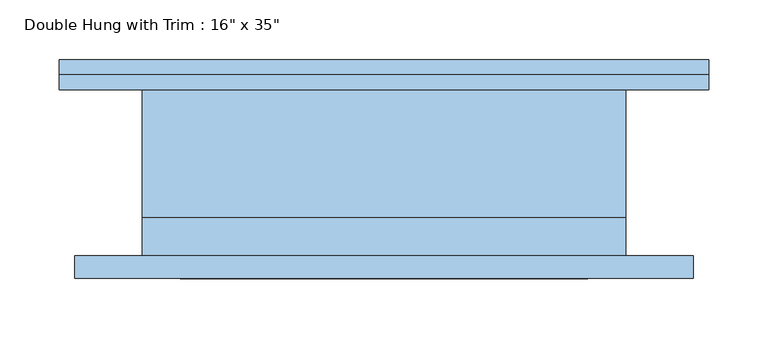
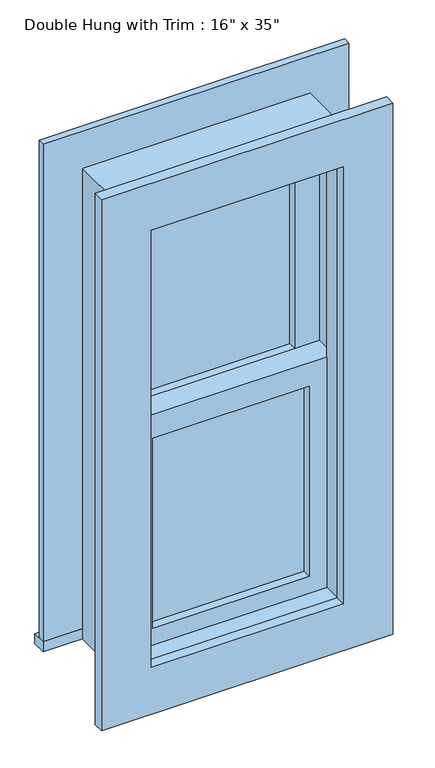
"""IFC4 building model written with IfcOpenShell, lengths in millimetres: window geometry."""

from ifc_helpers import new_model, si_unit, frame, origin, place, context, project, spatial, polyline, outline, extrude, source, transform, mapped, element, save


def window_0e9f11fb(model_context):
    return source(origin(), model_context, "Body", "SweptSolid", [
        extrude(outline(polyline([(-139.7, -9.525), (139.7, -9.525), (139.7, -22.225), (-139.7, -22.225), (-139.7, -9.525)])), frame((0.0, 0.0, 977.9), z_axis=(0.0, 0.0, 1.0), x_axis=(1.0, 0.0, 0.0)), (0.0, 0.0, 1.0), 358.775),
        extrude(outline(polyline([(1381.125, -184.15), (933.45, -184.15), (933.45, 184.15), (1381.125, 184.15), (1381.125, -184.15)]), holes=[polyline([(1336.675, -139.7), (1336.675, 139.7), (977.9, 139.7), (977.9, -139.7), (1336.675, -139.7)])]), frame((0.0, -38.1, 0.0), z_axis=(0.0, 1.0, 0.0), x_axis=(0.0, 0.0, 1.0)), (0.0, 0.0, 1.0), 44.45),
        extrude(outline(polyline([(-273.05, 95.25), (273.05, 95.25), (273.05, 69.85), (-273.05, 69.85), (-273.05, 95.25)])), frame((0.0, 0.0, 914.4), z_axis=(0.0, 0.0, 1.0), x_axis=(1.0, 0.0, 0.0)), (0.0, 0.0, 1.0), 19.05),
        extrude(outline(polyline([(1784.35, -184.15), (1784.35, 184.15), (933.45, 184.15), (933.45, 273.05), (1873.25, 273.05), (1873.25, -273.05), (933.45, -273.05), (933.45, -184.15), (1784.35, -184.15)])), frame((0.0, 69.85, 0.0), z_axis=(0.0, 1.0, 0.0), x_axis=(0.0, 0.0, 1.0)), (0.0, 0.0, 1.0), 12.7),
        extrude(outline(polyline([(1860.55, 260.35), (1860.55, -260.35), (857.25, -260.35), (857.25, 260.35), (1860.55, 260.35)]), holes=[polyline([(1771.65, 171.45), (946.15, 171.45), (946.15, -171.45), (1771.65, -171.45), (1771.65, 171.45)])]), frame((0.0, -88.9, 0.0), z_axis=(0.0, 1.0, 0.0), x_axis=(0.0, 0.0, 1.0)), (0.0, 0.0, 1.0), 19.05),
        extrude(outline(polyline([(139.7, 22.225), (-139.7, 22.225), (-139.7, 34.925), (139.7, 34.925), (139.7, 22.225)])), frame((0.0, 0.0, 1381.125), z_axis=(0.0, 0.0, 1.0), x_axis=(1.0, 0.0, 0.0)), (0.0, 0.0, 1.0), 358.775),
        extrude(outline(polyline([(1784.35, -184.15), (1336.675, -184.15), (1336.675, 184.15), (1784.35, 184.15), (1784.35, -184.15)]), holes=[polyline([(1739.9, -139.7), (1739.9, 139.7), (1381.125, 139.7), (1381.125, -139.7), (1739.9, -139.7)])]), frame((0.0, 6.35, 0.0), z_axis=(0.0, 1.0, 0.0), x_axis=(0.0, 0.0, 1.0)), (0.0, 0.0, 1.0), 44.45),
        extrude(outline(polyline([(1803.4, -203.2), (914.4, -203.2), (914.4, 203.2), (1803.4, 203.2), (1803.4, -203.2)]), holes=[polyline([(1771.65, -171.45), (1771.65, 171.45), (946.15, 171.45), (946.15, -171.45), (1771.65, -171.45)])]), frame((0.0, -69.85, 0.0), z_axis=(0.0, 1.0, 0.0), x_axis=(0.0, 0.0, 1.0)), (0.0, 0.0, 1.0), 31.75),
        extrude(outline(polyline([(1803.4, 203.2), (1803.4, -203.2), (914.4, -203.2), (914.4, 203.2), (1803.4, 203.2)]), holes=[polyline([(1784.35, 184.15), (933.45, 184.15), (933.45, -184.15), (1784.35, -184.15), (1784.35, 184.15)])]), frame((0.0, -38.1, 0.0), z_axis=(0.0, 1.0, 0.0), x_axis=(0.0, 0.0, 1.0)), (0.0, 0.0, 1.0), 107.95),
    ])


if __name__ == "__main__":
    model = new_model("IFC4")
    model_context = context("Model", 3, world=origin())
    ifc_project = project(units=[si_unit("LENGTHUNIT", "METRE", prefix="MILLI")], contexts=[model_context])
    site = spatial("IfcSite", under=ifc_project)
    building = spatial("IfcBuilding", under=site)
    placement = place(None, origin())
    window_shape = window_0e9f11fb(model_context)
    element("IfcWindow", 1, ObjectType="Double Hung with Trim : 16\" x 35\"", at=placement, inside=building, context=model_context, shape_type="MappedRepresentation", body=[
        mapped(window_shape, transform((0.0, 0.0, 0.0), x_axis=(1.0, 0.0, 0.0), y_axis=(0.0, 1.0, 0.0), z_axis=(0.0, 0.0, 1.0))),
    ])
    save(model, "model.ifc")
